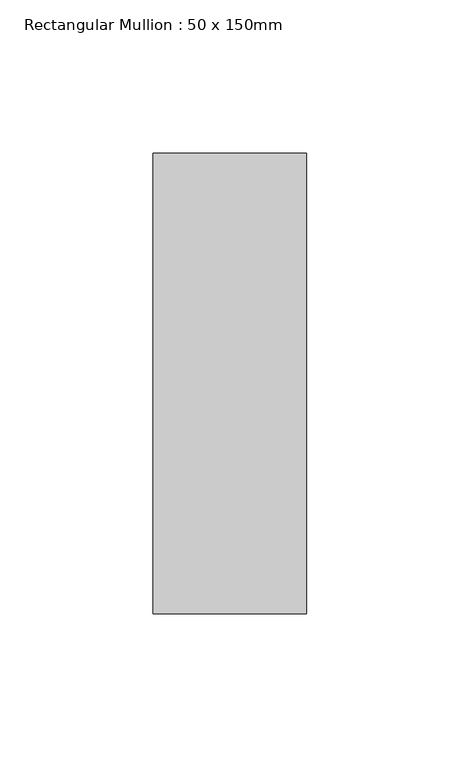
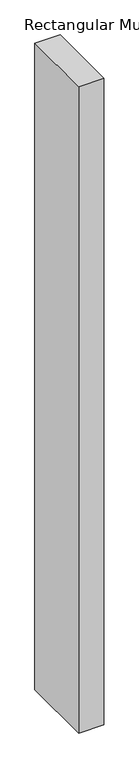
"""IFC4 building model written with IfcOpenShell, lengths in millimetres: member geometry, Rectangular Mullion : 50 x 150mm."""

from ifc_helpers import new_model, si_unit, frame, origin, place, context, project, spatial, polyline, outline, extrude, source, transform, mapped, element, save


def rectangular_mullion_50_x_150mm_46acd0e4(model_context):
    return source(origin(), model_context, "Body", "SweptSolid", [
        extrude(outline(polyline([(25.0, 75.0), (25.0, -75.0), (-25.0, -75.0), (-25.0, 75.0), (25.0, 75.0)])), frame((0.0, 0.0, -1356.6666667), z_axis=(0.0, 0.0, 1.0), x_axis=(1.0, 0.0, 0.0)), (0.0, 0.0, 1.0), 1356.6666667),
    ])


if __name__ == "__main__":
    model = new_model("IFC4")
    model_context = context("Model", 3, world=origin())
    ifc_project = project(units=[si_unit("LENGTHUNIT", "METRE", prefix="MILLI")], contexts=[model_context])
    site = spatial("IfcSite", under=ifc_project)
    building = spatial("IfcBuilding", under=site)
    placement = place(None, origin())
    rectangular_mullion_50_x_150mm_shape = rectangular_mullion_50_x_150mm_46acd0e4(model_context)
    element("IfcMember", 1, ObjectType="Rectangular Mullion : 50 x 150mm", at=placement, inside=building, context=model_context, shape_type="MappedRepresentation", body=[
        mapped(rectangular_mullion_50_x_150mm_shape, transform((0.0, 0.0, 0.0), x_axis=(1.0, 0.0, 0.0), y_axis=(0.0, 1.0, 0.0), z_axis=(0.0, 0.0, 1.0))),
    ])
    save(model, "model.ifc")
